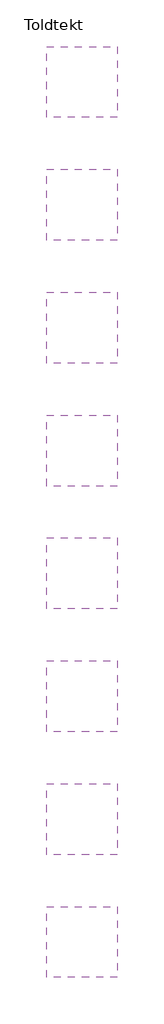
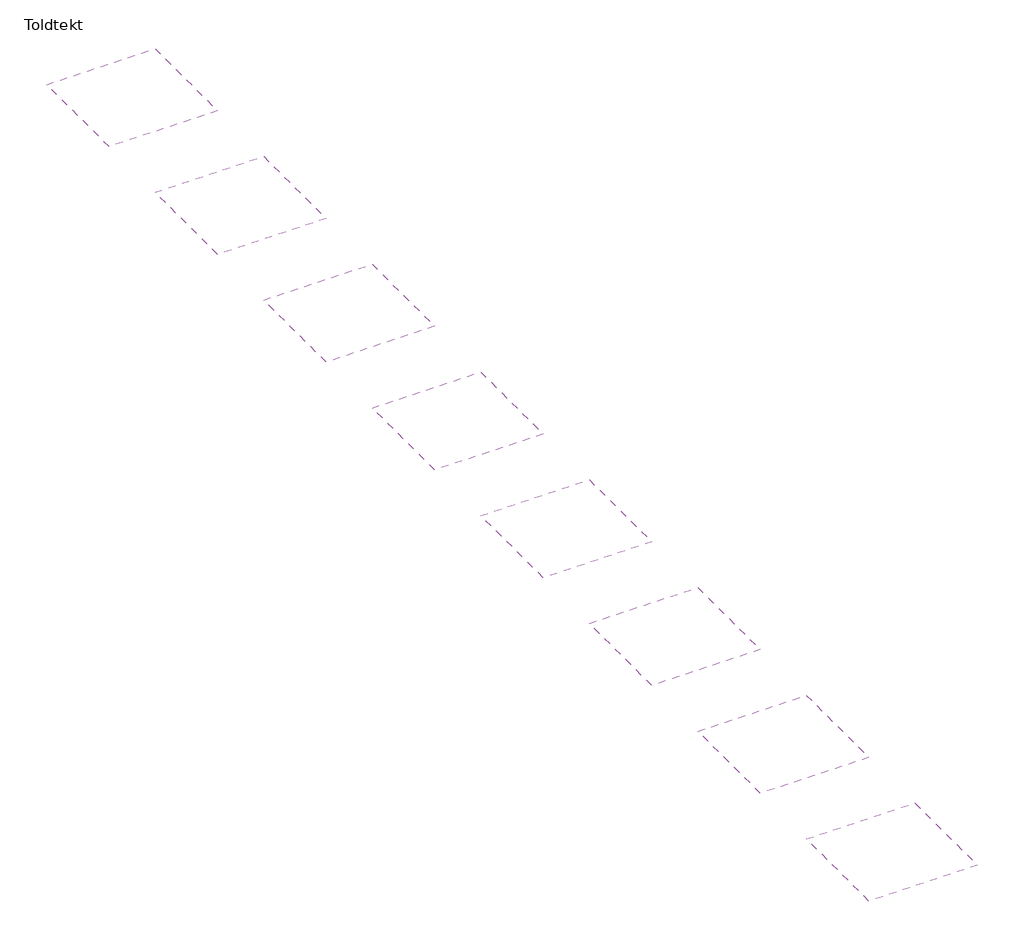
# One storey: 8 coverings.
"""IFC4 building model written with IfcOpenShell, lengths in millimetres."""

import ifcopenshell
import ifcopenshell.guid

model = None  # the IFC model being written
_history = None  # IfcOwnerHistory: only IFC2X3 demands one
_inside = {}  # id of a spatial element -> (the spatial element, [elements in it])
_under = {}  # id of a project, library or spatial element -> (it, [spatial elements below it])
_declared = {}  # id of a project -> (the project, [libraries it declares])
_typed = {}  # id of a type object -> (the type object, [elements of that type])
_made_of = {}  # id of a material, layer set ... -> (it, [elements and type objects made of it])


def new_model(schema):
    """Start an empty IFC model of exactly this schema.

    Asked for "IFC4X3", IfcOpenShell would pick the latest addendum, in which some entities
    have other attributes; the version numbers below select the first issue.
    IFC2X3 requires an IfcOwnerHistory on every rooted entity: one is made here for all.
    """
    global model, _history
    if schema == "IFC4X3":
        model = ifcopenshell.file(schema_version=(4, 3, 0, 0))
    else:
        model = ifcopenshell.file(schema=schema)
    _inside.clear()
    _under.clear()
    _declared.clear()
    _typed.clear()
    _made_of.clear()
    _history = None
    if model.schema == "IFC2X3":
        org = make("IfcOrganization", Name="unknown")
        user = make(
            "IfcPersonAndOrganization",
            ThePerson=make("IfcPerson", FamilyName="unknown"),
            TheOrganization=org,
        )
        app = make(
            "IfcApplication",
            ApplicationDeveloper=org,
            Version="unknown",
            ApplicationFullName="unknown",
            ApplicationIdentifier="unknown",
        )
        _history = make(
            "IfcOwnerHistory",
            OwningUser=user,
            OwningApplication=app,
            ChangeAction="ADDED",
            CreationDate=0,
        )
    return model


def make(cls, **values):
    """One entity of the class cls with the attributes given. An attribute that is None is left unset."""
    return model.create_entity(
        cls, **{name: value for name, value in values.items() if value is not None}
    )


def rooted(cls, **values):
    """An entity with a GlobalId (a new one), such as an element, a storey or a relation."""
    return make(cls, GlobalId=ifcopenshell.guid.new(), OwnerHistory=_history, **values)


def si_unit(unit_type, name, prefix=None):
    """IfcSIUnit, for example si_unit("LENGTHUNIT", "METRE", prefix="MILLI")."""
    return make("IfcSIUnit", UnitType=unit_type, Prefix=prefix, Name=name)


def assignment(units):
    """IfcUnitAssignment: the units of a project."""
    return None if units is None else make("IfcUnitAssignment", Units=units)


def point(xyz):
    """IfcCartesianPoint."""
    return None if xyz is None else make("IfcCartesianPoint", Coordinates=xyz)


def direction(xyz):
    """IfcDirection."""
    return None if xyz is None else make("IfcDirection", DirectionRatios=xyz)


def frame(location, z_axis=None, x_axis=None):
    """IfcAxis2Placement3D, a coordinate frame: its origin and axes. An axis left out is left unset."""
    return make(
        "IfcAxis2Placement3D",
        Location=point(location),
        Axis=direction(z_axis),
        RefDirection=direction(x_axis),
    )


def origin():
    """The frame at (0, 0, 0) with its axes left unset."""
    return frame((0.0, 0.0, 0.0))


def place(relative_to, where):
    """IfcLocalPlacement: puts the frame where relative to a parent placement (None: the world)."""
    return make(
        "IfcLocalPlacement", PlacementRelTo=relative_to, RelativePlacement=where
    )


def context(
    kind, dimensions, precision=None, world=None, true_north=None, identifier=None
):
    """IfcGeometricRepresentationContext, for example the 3D "Model" context."""
    return make(
        "IfcGeometricRepresentationContext",
        ContextIdentifier=identifier,
        ContextType=kind,
        CoordinateSpaceDimension=dimensions,
        Precision=precision,
        WorldCoordinateSystem=world,
        TrueNorth=true_north,
    )


def project(units=None, contexts=None):
    """IfcProject with its units and contexts."""
    return rooted(
        "IfcProject",
        Name="project",
        RepresentationContexts=contexts,
        UnitsInContext=assignment(units),
    )


def spatial(cls, under=None, at=None, **own):
    """A site, building, storey or space (cls), placed at a placement, below another one or the project."""
    s = rooted(cls, ObjectPlacement=at, **own)
    if under is not None:
        _under.setdefault(under.id(), (under, []))[1].append(s)
    return s


def polyline(points):
    """IfcPolyline through the points."""
    return make("IfcPolyline", Points=[point(p) for p in points])


def outline(outer, holes=None, kind="AREA"):
    """IfcArbitraryClosedProfileDef: a profile drawn as a closed curve; with holes, ...WithVoids."""
    if holes is None:
        return make("IfcArbitraryClosedProfileDef", ProfileType=kind, OuterCurve=outer)
    return make(
        "IfcArbitraryProfileDefWithVoids",
        ProfileType=kind,
        OuterCurve=outer,
        InnerCurves=holes,
    )


def extrude(swept, where, along, depth):
    """IfcExtrudedAreaSolid: the profile swept, set in the frame where, extruded along a direction by depth."""
    return make(
        "IfcExtrudedAreaSolid",
        SweptArea=swept,
        Position=where,
        ExtrudedDirection=direction(along),
        Depth=depth,
    )


def shape(context_of_items, identifier, shape_type, items):
    """IfcShapeRepresentation: the items that make up one representation, for example the "Body"."""
    return make(
        "IfcShapeRepresentation",
        ContextOfItems=context_of_items,
        RepresentationIdentifier=identifier,
        RepresentationType=shape_type,
        Items=items,
    )


def made_of(thing, what):
    """Note that an element or type object is made of a material, layer set ...; save() writes the relation."""
    if what is not None:
        _made_of.setdefault(what.id(), (what, []))[1].append(thing)
    return thing


def element(
    cls,
    number,
    at=None,
    inside=None,
    cuts=None,
    type_object=None,
    material=None,
    context=None,
    identifier="Body",
    shape_type=None,
    held_by="IfcProductDefinitionShape",
    body=None,
    shapes=None,
    **own,
):
    """One element of the class cls, such as IfcWall. Its Tag is "e" and its number.

    at: its placement. inside: the storey or other place that contains it. cuts: it is an
    opening in that element (IfcRelVoidsElement). A single representation is given by context,
    identifier, shape_type and body (its items); several are given by shapes. held_by: the class
    of the entity that holds the representations. save() writes the other relations.
    """
    e = rooted(cls, Tag="e%d" % number, ObjectPlacement=at, **own)
    if body is not None:
        shapes = [shape(context, identifier, shape_type, body)]
    if shapes is not None:
        e.Representation = make(held_by, Representations=shapes)
    if inside is not None:
        _inside.setdefault(inside.id(), (inside, []))[1].append(e)
    if cuts is not None:
        rooted(
            "IfcRelVoidsElement", RelatingBuildingElement=cuts, RelatedOpeningElement=e
        )
    if type_object is not None:
        _typed.setdefault(type_object.id(), (type_object, []))[1].append(e)
    return made_of(e, material)


def aggregate(whole, parts):
    """IfcRelAggregates: a whole, such as a stair, and the parts it consists of."""
    return rooted("IfcRelAggregates", RelatingObject=whole, RelatedObjects=parts)


def save(model, path):
    """Write the relations noted so far, then the file.

    IfcRelAggregates (storeys below a building ...), IfcRelContainedInSpatialStructure (elements
    in a storey), IfcRelDefinesByType, IfcRelAssociatesMaterial and IfcRelDeclares: one each for
    every whole, place, type object, material and project.
    """
    for whole, parts in _under.values():
        aggregate(whole, parts)
    for where, things in _inside.values():
        rooted(
            "IfcRelContainedInSpatialStructure",
            RelatedElements=things,
            RelatingStructure=where,
        )
    for kind, things in _typed.values():
        rooted("IfcRelDefinesByType", RelatedObjects=things, RelatingType=kind)
    for what, things in _made_of.values():
        rooted("IfcRelAssociatesMaterial", RelatedObjects=things, RelatingMaterial=what)
    for by, libraries in _declared.values():
        rooted("IfcRelDeclares", RelatingContext=by, RelatedDefinitions=libraries)
    model.write(path)


model = new_model("IFC4")

# Units and contexts
model_context = context("Model", 3, world=origin())
ifc_project = project(units=[si_unit("LENGTHUNIT", "METRE", prefix="MILLI")], contexts=[model_context])

# Site, building, storey
site = spatial("IfcSite", under=ifc_project)
building = spatial("IfcBuilding", under=site)
storey = spatial("IfcBuildingStorey", under=building, Name="Toldtekt", Elevation=0.0)

# Coverings
placement = place(None, origin())
element("IfcCovering", 1, at=placement, inside=storey, context=model_context, shape_type="SweptSolid", body=[
    extrude(outline(polyline([(17169.5723108, 34562.9855223), (17169.5723108, 31562.9855223), (14169.5723108, 31562.9855223), (14169.5723108, 34562.9855223), (17169.5723108, 34562.9855223)])), frame((0.0, 0.0, 2600.0), z_axis=(0.0, 0.0, 1.0), x_axis=(1.0, 0.0, 0.0)), (0.0, 0.0, 1.0), 59.8),
])
element("IfcCovering", 2, at=placement, inside=storey, context=model_context, shape_type="SweptSolid", body=[
    extrude(outline(polyline([(17169.5723108, 29362.9976165), (17169.5723108, 26362.9976165), (14169.5723108, 26362.9976165), (14169.5723108, 29362.9976165), (17169.5723108, 29362.9976165)])), frame((0.0, 0.0, 2600.0), z_axis=(0.0, 0.0, 1.0), x_axis=(1.0, 0.0, 0.0)), (0.0, 0.0, 1.0), 59.8),
])
element("IfcCovering", 3, at=placement, inside=storey, context=model_context, shape_type="SweptSolid", body=[
    extrude(outline(polyline([(17169.5723108, 24163.0097108), (17169.5723108, 21163.0097108), (14169.5723108, 21163.0097108), (14169.5723108, 24163.0097108), (17169.5723108, 24163.0097108)])), frame((0.0, 0.0, 2600.0), z_axis=(0.0, 0.0, 1.0), x_axis=(1.0, 0.0, 0.0)), (0.0, 0.0, 1.0), 59.8),
])
element("IfcCovering", 4, at=placement, inside=storey, context=model_context, shape_type="SweptSolid", body=[
    extrude(outline(polyline([(17169.5723108, 13763.0338993), (17169.5723108, 10763.0338993), (14169.5723108, 10763.0338993), (14169.5723108, 13763.0338993), (17169.5723108, 13763.0338993)])), frame((0.0, 0.0, 2600.0), z_axis=(0.0, 0.0, 1.0), x_axis=(1.0, 0.0, 0.0)), (0.0, 0.0, 1.0), 59.8),
])
element("IfcCovering", 5, at=placement, inside=storey, context=model_context, shape_type="SweptSolid", body=[
    extrude(outline(polyline([(17169.5723108, 8563.0459935), (17169.5723108, 5563.0459935), (14169.5723108, 5563.0459935), (14169.5723108, 8563.0459935), (17169.5723108, 8563.0459935)])), frame((0.0, 0.0, 2600.0), z_axis=(0.0, 0.0, 1.0), x_axis=(1.0, 0.0, 0.0)), (0.0, 0.0, 1.0), 59.8),
])
element("IfcCovering", 6, at=placement, inside=storey, context=model_context, shape_type="SweptSolid", body=[
    extrude(outline(polyline([(17169.5723108, 3363.0580878), (17169.5723108, 363.0580878), (14169.5723108, 363.0580878), (14169.5723108, 3363.0580878), (17169.5723108, 3363.0580878)])), frame((0.0, 0.0, 2600.0), z_axis=(0.0, 0.0, 1.0), x_axis=(1.0, 0.0, 0.0)), (0.0, 0.0, 1.0), 59.8),
])
element("IfcCovering", 7, at=placement, inside=storey, context=model_context, shape_type="SweptSolid", body=[
    extrude(outline(polyline([(17169.5723108, 18963.021805), (17169.5723108, 15963.021805), (14169.5723108, 15963.021805), (14169.5723108, 18963.021805), (17169.5723108, 18963.021805)])), frame((0.0, 0.0, 2600.0), z_axis=(0.0, 0.0, 1.0), x_axis=(1.0, 0.0, 0.0)), (0.0, 0.0, 1.0), 59.8),
])
element("IfcCovering", 8, at=placement, inside=storey, context=model_context, shape_type="SweptSolid", body=[
    extrude(outline(polyline([(17169.5723108, -1836.929818), (17169.5723108, -4836.929818), (14169.5723108, -4836.929818), (14169.5723108, -1836.929818), (17169.5723108, -1836.929818)])), frame((0.0, 0.0, 2600.0), z_axis=(0.0, 0.0, 1.0), x_axis=(1.0, 0.0, 0.0)), (0.0, 0.0, 1.0), 59.8),
])

save(model, "model.ifc")
